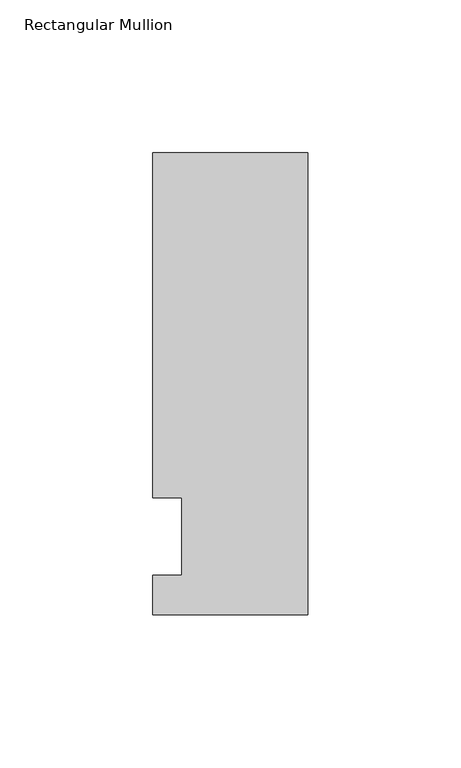
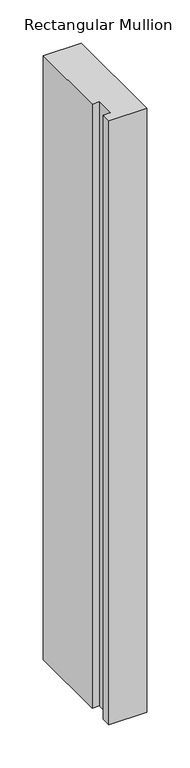
"""IFC4 building model written with IfcOpenShell, lengths in millimetres: member geometry, Rectangular Mullion."""

from ifc_helpers import new_model, si_unit, frame, origin, place, context, project, spatial, polyline, outline, extrude, source, transform, mapped, element, save


def rectangular_mullion_59b0ec25(model_context):
    return source(origin(), model_context, "Body", "SweptSolid", [
        extrude(outline(polyline([(-50.8, -25.5984375), (-50.8, -12.7), (-41.275, -12.7), (-41.275, 12.7), (-50.8, 12.7), (-50.8, 125.6109375), (0.0, 125.6109375), (0.0, -25.5984375), (-50.8, -25.5984375)])), frame((0.0, 0.0, -852.4875), z_axis=(0.0, 0.0, 1.0), x_axis=(1.0, 0.0, 0.0)), (0.0, 0.0, 1.0), 852.4875),
    ])


if __name__ == "__main__":
    model = new_model("IFC4")
    model_context = context("Model", 3, world=origin())
    ifc_project = project(units=[si_unit("LENGTHUNIT", "METRE", prefix="MILLI")], contexts=[model_context])
    site = spatial("IfcSite", under=ifc_project)
    building = spatial("IfcBuilding", under=site)
    placement = place(None, origin())
    rectangular_mullion_shape = rectangular_mullion_59b0ec25(model_context)
    element("IfcMember", 1, ObjectType="Rectangular Mullion", at=placement, inside=building, context=model_context, shape_type="MappedRepresentation", body=[
        mapped(rectangular_mullion_shape, transform((0.0, 0.0, 0.0), x_axis=(1.0, 0.0, 0.0), y_axis=(0.0, 1.0, 0.0), z_axis=(0.0, 0.0, 1.0))),
    ])
    save(model, "model.ifc")
